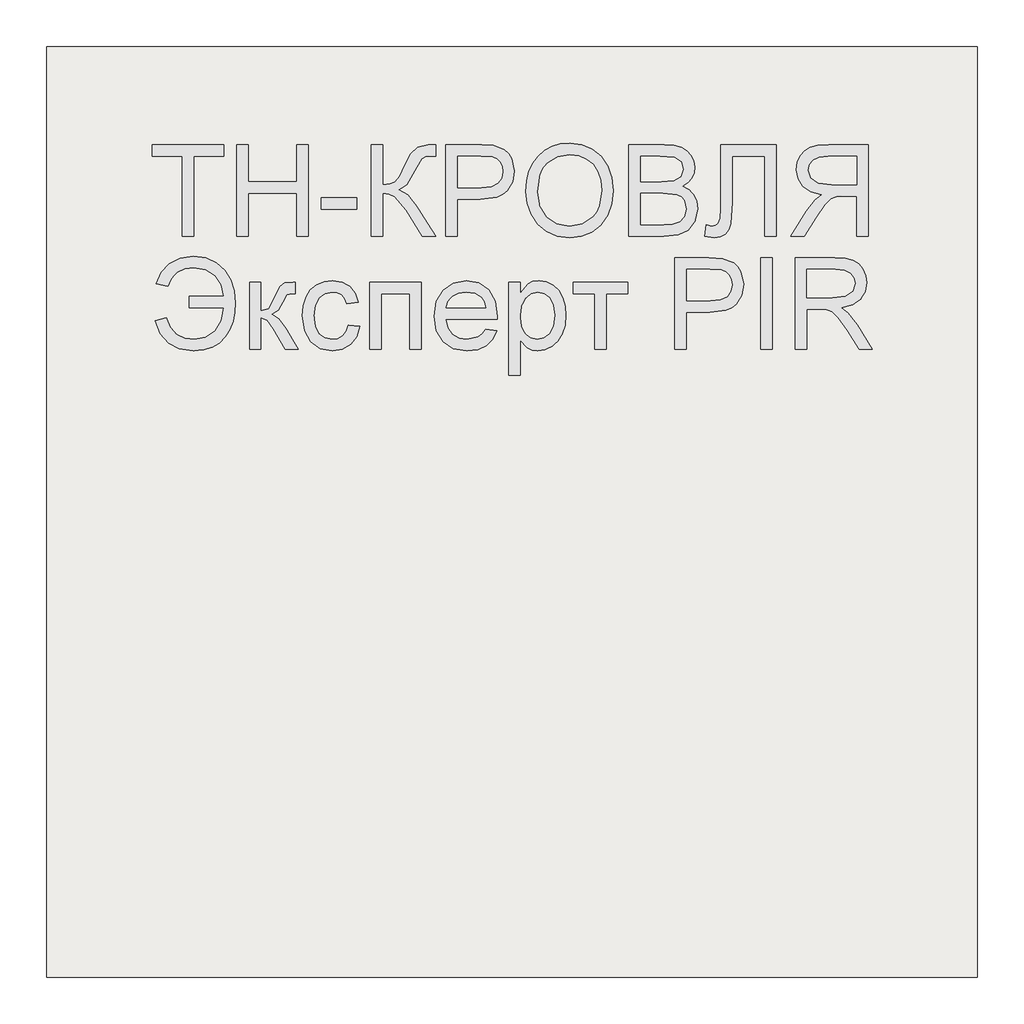
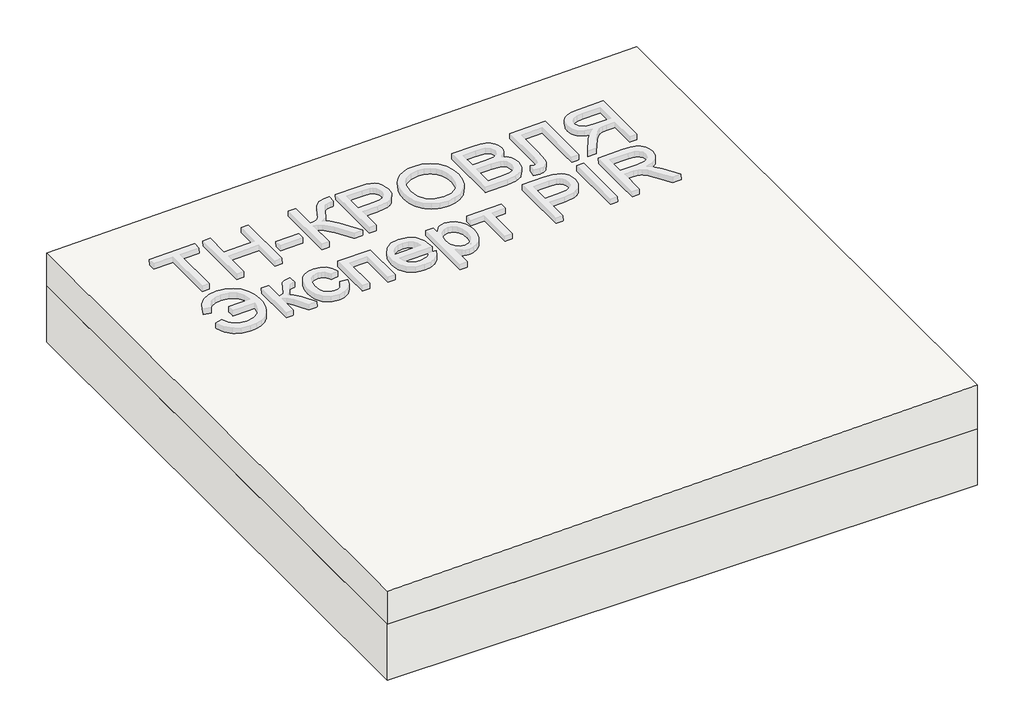
# One storey, part 1 of 3: 1 roof, 1 slab.
"""IFC4 building model written with IfcOpenShell, lengths in millimetres."""

from ifc_helpers import new_model, si_unit, frame, origin, place, context, project, spatial, polyline, outline, extrude, element, save

model = new_model("IFC4")

# Units and contexts
model_context = context("Model", 3, world=origin())
ifc_project = project(units=[si_unit("LENGTHUNIT", "METRE", prefix="MILLI")], contexts=[model_context])

# Site, building, storey
site = spatial("IfcSite", under=ifc_project)
building = spatial("IfcBuilding", under=site)
storey = spatial("IfcBuildingStorey", under=building, Elevation=0.0)

# Roof
placement = place(None, origin())
element("IfcRoof", 1, at=placement, inside=storey, context=model_context, shape_type="SweptSolid", body=[
    extrude(outline(polyline([(119.0, 48706.3955952), (0.0, 48706.3955952), (0.0, 50706.3955952), (159.0, 50706.3955952), (119.0, 48706.3955952)])), frame((0.0, -6302.6148653, 0.0), z_axis=(0.0, 1.0, 0.0), x_axis=(0.0, 0.0, 1.0)), (0.0, 0.0, 1.0), 2000.0),
])

# Slab
element("IfcSlab", 2, at=placement, inside=storey, context=model_context, shape_type="SweptSolid", body=[
    extrude(outline(polyline([(50706.3955952, -6302.6148653), (48706.3955952, -6302.6148653), (48706.3955952, -4302.6148653), (50706.3955952, -4302.6148653), (50706.3955952, -6302.6148653)])), frame((0.0, 0.0, -200.0), z_axis=(0.0, 0.0, 1.0), x_axis=(1.0, 0.0, 0.0)), (0.0, 0.0, 1.0), 200.0),
])

save(model, "model.ifc")
